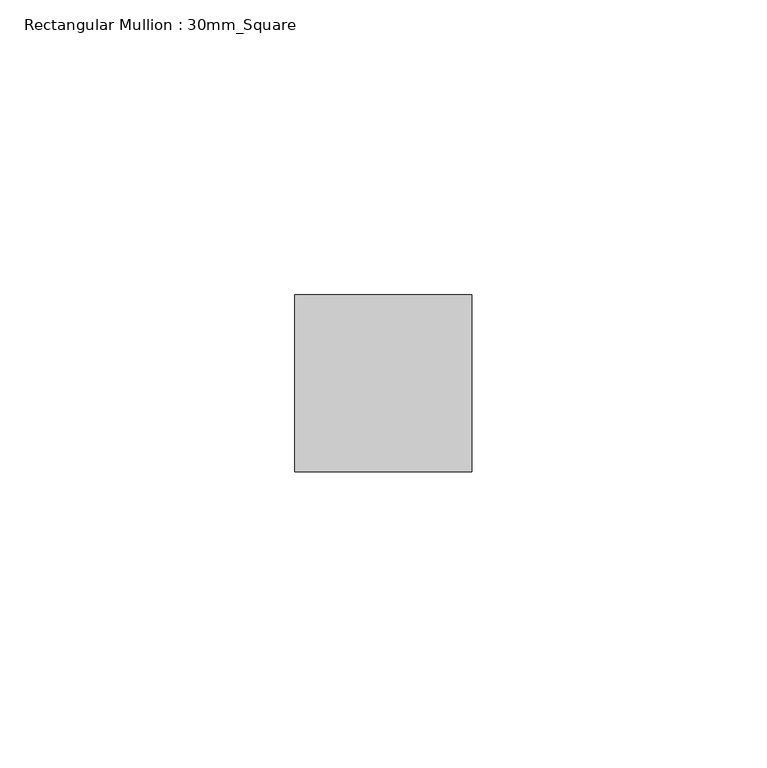
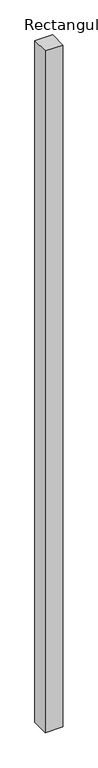
"""IFC4 building model written with IfcOpenShell, lengths in millimetres: member geometry, Rectangular Mullion : 30mm_Square."""

from ifc_helpers import new_model, si_unit, frame, origin, place, context, project, spatial, polyline, outline, extrude, source, transform, mapped, element, save


def rectangular_mullion_30mm_square_ad5a5773(model_context):
    return source(origin(), model_context, "Body", "SweptSolid", [
        extrude(outline(polyline([(15.0, 15.0), (15.0, -15.0), (-15.0, -15.0), (-15.0, 15.0), (15.0, 15.0)])), frame((0.0, 0.0, -1225.0), z_axis=(0.0, 0.0, 1.0), x_axis=(1.0, 0.0, 0.0)), (0.0, 0.0, 1.0), 1225.0),
    ])


if __name__ == "__main__":
    model = new_model("IFC4")
    model_context = context("Model", 3, world=origin())
    ifc_project = project(units=[si_unit("LENGTHUNIT", "METRE", prefix="MILLI")], contexts=[model_context])
    site = spatial("IfcSite", under=ifc_project)
    building = spatial("IfcBuilding", under=site)
    placement = place(None, origin())
    rectangular_mullion_30mm_square_shape = rectangular_mullion_30mm_square_ad5a5773(model_context)
    element("IfcMember", 1, ObjectType="Rectangular Mullion : 30mm_Square", at=placement, inside=building, context=model_context, shape_type="MappedRepresentation", body=[
        mapped(rectangular_mullion_30mm_square_shape, transform((0.0, 0.0, 0.0), x_axis=(1.0, 0.0, 0.0), y_axis=(0.0, 1.0, 0.0), z_axis=(0.0, 0.0, 1.0))),
    ])
    save(model, "model.ifc")
